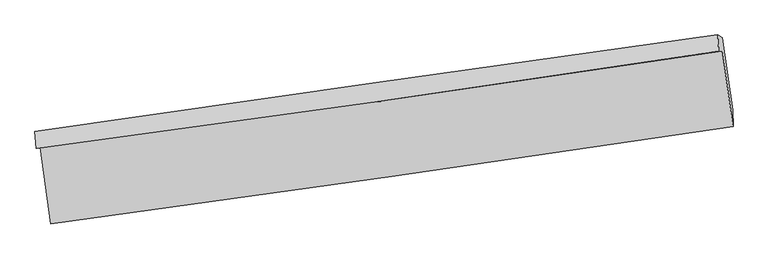
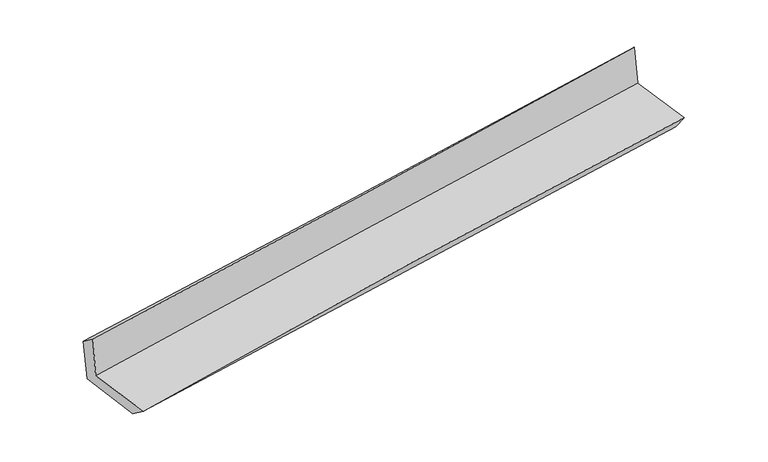
"""IFC4 building model written with IfcOpenShell, lengths in millimetres: proxy geometry."""

from ifc_helpers import new_model, si_unit, frame, origin, place, context, project, spatial, source, transform, mapped, element, save
from ifc_brep_helpers import plane_surface, spline_curve, spline_surface, advanced_brep


def generic_models_f9e63abb(model_context):
    return source(origin(), model_context, "Body", "AdvancedBrep", [
        advanced_brep(
        [(-3002.595666, -1915.8437049, 1634.0233279), (-2907.8159244, -2584.9853114, 1630.2130771), (3048.3431398, -1734.8514151, 2162.9494201), (2955.2556261, -1074.4045933, 2161.2924329), (-3035.7680529, -1927.0065943, 2042.6839731), (2921.5606791, -1075.1364694, 2558.7819018), (-3047.8531374, -1776.3192437, 1934.6520468), (2914.767564, -932.3200733, 2401.579774), (-3011.8899701, -1786.2327445, 1528.1595289), (2952.5692825, -955.4985103, 1995.4861987), (-2920.2651003, -2425.3638103, 1511.6312641), (3043.8137527, -1591.9104436, 1978.9175707)],
        [
            (0, 1),
            (1, 2, spline_curve(3, [(-2907.8159244, -2584.9853114, 1630.2130771), (-1916.507255404, -2449.717670217, 1745.770013993), (-924.499065502, -2311.238275419, 1847.943631214), (1060.887330293, -2027.860122064, 2025.521629662), (2054.265495194, -1882.961551521, 2100.926793465), (3048.3431398, -1734.8514151, 2162.9494201)], [4, 2, 4], [0.0, 9.908968915531673, 19.817648104432866])),
            (2, 3),
            (3, 0, spline_curve(3, [(2955.2556261, -1074.4045933, 2161.2924329), (1962.294390396, -1222.290249255, 2085.767444005), (969.333423323, -1366.352034279, 2004.066590496), (-1016.617007178, -1646.831961633, 1828.310583017), (-2009.606470888, -1783.249880731, 1734.255068662), (-3002.595666, -1915.8437049, 1634.0233279)], [4, 2, 4], [0.0, 9.908679188901193, 19.817648104432866])),
            (4, 0),
            (3, 5),
            (5, 4, spline_curve(3, [(2921.5606791, -1075.1364694, 2558.7819018), (1929.940097903, -1227.874384582, 2475.545319024), (937.693013279, -1375.231559804, 2390.919516181), (-1048.083193988, -1659.188582942, 2218.886954567), (-2041.612353531, -1795.788115766, 2131.48011476), (-3035.7680529, -1927.0065943, 2042.6839731)], [4, 2, 4], [0.0, 9.908199662973477, 19.816689038556248])),
            (6, 4),
            (5, 7),
            (7, 6, spline_curve(3, [(2914.767564, -932.3200733, 2401.579774), (1920.747325671, -1070.669743205, 2322.678380829), (926.859410464, -1210.176797292, 2244.317601358), (-1060.680830961, -1491.509786091, 2088.674994005), (-2054.333149639, -1633.335789085, 2011.39319766), (-3047.8531374, -1776.3192437, 1934.6520468)], [4, 2, 4], [0.0, 9.908056305605708, 19.816402319628985])),
            (8, 6),
            (7, 9),
            (9, 8, spline_curve(3, [(2952.5692825, -955.4985103, 1995.4861987), (1958.871928615, -1096.069006247, 1916.474331109), (964.99224997, -1235.58111051, 1838.025069313), (-1023.160823627, -1512.492583832, 1682.249479506), (-2017.434229158, -1649.891890781, 1604.923184857), (-3011.8899701, -1786.2327445, 1528.1595289)], [4, 2, 4], [0.0, 9.908210364163851, 19.816710441249896])),
            (10, 8),
            (9, 11),
            (11, 10, spline_curve(3, [(3043.8137527, -1591.9104436, 1978.9175707), (2051.411027438, -1741.499728129, 1899.652379112), (1058.210371635, -1885.747880583, 1821.079816815), (-929.815866238, -2163.565981614, 1665.317674), (-1924.641494456, -2297.135618265, 1588.128134197), (-2920.2651003, -2425.3638103, 1511.6312641)], [4, 2, 4], [0.0, 9.90827986160495, 19.816849438164173])),
            (1, 10),
            (11, 2),
        ],
        [
            spline_surface(3, 3, [[(-3002.595666, -1915.8437049, 1634.0233279), (-2009.606470969, -1783.249880762, 1734.255068625), (-1016.61700728, -1646.831961695, 1828.310583167), (969.333423425, -1366.352034217, 2004.066590346), (1962.294390458, -1222.290249398, 2085.767444115), (2955.2556261, -1074.4045933, 2161.2924329)], [(-2971.00241881, -2138.890907068, 1632.753244313), (-1978.57339909, -2005.405810541, 1738.093383794), (-985.911026664, -1868.300732935, 1834.854932533), (999.851392358, -1586.854730198, 2011.218270107), (1992.951425343, -1442.514016725, 2090.820560558), (2986.284797354, -1294.553533885, 2161.844761948)], [(-2939.40917159, -2361.938109232, 1631.483160687), (-1947.54032718, -2227.561740317, 1741.931698925), (-955.205046049, -2089.769504129, 1841.399281889), (1030.369361291, -1807.357426134, 2018.369949859), (2023.608460167, -1662.737784097, 2095.873677059), (3017.313968546, -1514.702474515, 2162.397091052)], [(-2907.8159244, -2584.9853114, 1630.2130771), (-1916.507255301, -2449.717670096, 1745.770014095), (-924.499065434, -2311.238275368, 1847.943631255), (1060.887330225, -2027.860122115, 2025.521629621), (2054.265495051, -1882.961551423, 2100.926793502), (3048.3431398, -1734.8514151, 2162.9494201)]], [4, 4], [4, 2, 4], [0.0, 2.1968602946566307], [0.0, 9.908968915531673, 19.817648104432866]),
            spline_surface(3, 3, [[(-3035.7680529, -1927.0065943, 2042.6839731), (-2041.612353451, -1795.788115694, 2131.480114617), (-1048.083194025, -1659.18858286, 2218.886954546), (937.693013317, -1375.231559885, 2390.919516202), (1929.94009793, -1227.874384436, 2475.545319177), (2921.5606791, -1075.1364694, 2558.7819018)], [(-3024.710590601, -1923.285631154, 1906.463758026), (-2030.943725958, -1791.608704037, 1999.071765945), (-1037.59446511, -1655.069709142, 2088.694830739), (948.239816687, -1372.271718, 2261.968540903), (1940.724862113, -1226.013006095, 2345.619360829), (2932.792328106, -1074.892510705, 2426.285412172)], [(-3013.653128299, -1919.564668046, 1770.243542974), (-2020.275098461, -1787.429292419, 1866.663417297), (-1027.105736195, -1650.950835413, 1958.502706974), (958.786620055, -1369.311876103, 2133.017565645), (1951.509626276, -1224.151627739, 2215.693402463), (2944.023977094, -1074.648551995, 2293.788922528)], [(-3002.595666, -1915.8437049, 1634.0233279), (-2009.606470969, -1783.249880762, 1734.255068625), (-1016.61700728, -1646.831961695, 1828.310583167), (969.333423425, -1366.352034217, 2004.066590346), (1962.294390458, -1222.290249398, 2085.767444115), (2955.2556261, -1074.4045933, 2161.2924329)]], [4, 4], [4, 2, 4], [0.0, 1.2799795429908225], [0.0, 9.908489375582771, 19.816689038556248]),
            spline_surface(3, 3, [[(-3047.8531374, -1776.3192437, 1934.6520468), (-2054.333149592, -1633.335789051, 2011.3931978), (-1060.680831016, -1491.509786252, 2088.674994012), (926.859410518, -1210.176797132, 2244.317601351), (1920.747325751, -1070.669743139, 2322.678380891), (2914.767564, -932.3200733, 2401.579774)], [(-3043.824775909, -1826.54836056, 1970.662688909), (-2050.092884221, -1687.486564592, 2051.422170082), (-1056.481618703, -1547.402718448, 2132.078980874), (930.470611434, -1265.195051377, 2293.184906319), (1923.81158312, -1123.071290226, 2373.634027003), (2917.031935676, -979.925538655, 2453.980483283)], [(-3039.796414391, -1876.77747744, 2006.673330991), (-2045.852618822, -1741.637340153, 2091.451142335), (-1052.282406339, -1603.295650664, 2175.482967684), (934.081812401, -1320.213305641, 2342.052211235), (1926.875840561, -1175.472837348, 2424.589673066), (2919.296307424, -1027.531004045, 2506.381192517)], [(-3035.7680529, -1927.0065943, 2042.6839731), (-2041.612353451, -1795.788115694, 2131.480114617), (-1048.083194025, -1659.18858286, 2218.886954546), (937.693013317, -1375.231559885, 2390.919516202), (1929.94009793, -1227.874384436, 2475.545319177), (2921.5606791, -1075.1364694, 2558.7819018)]], [4, 4], [4, 2, 4], [0.0, 0.7110541270384413], [0.0, 9.908346014023277, 19.816402319628985]),
            spline_surface(3, 3, [[(-3011.8899701, -1786.2327445, 1528.1595289), (-2017.434228994, -1649.89189094, 1604.923184907), (-1023.160823596, -1512.492583828, 1682.249479659), (964.992249939, -1235.581110515, 1838.02506916), (1958.871928747, -1096.069006263, 1916.474331009), (2952.5692825, -955.4985103, 1995.4861987)], [(-3023.877692508, -1782.928244235, 1663.657034844), (-2029.733869168, -1644.373190312, 1740.413189182), (-1035.667492733, -1505.49831798, 1817.72465109), (952.281303468, -1227.113006065, 1973.455913204), (1946.163727772, -1087.602585237, 2051.875680938), (2939.968709691, -947.772364648, 2130.850723768)], [(-3035.865414992, -1779.623743965, 1799.154540856), (-2042.033509418, -1638.854489679, 1875.903193525), (-1048.174161879, -1498.504052099, 1953.199822581), (939.570356989, -1218.644901582, 2108.886757307), (1933.455526725, -1079.136164165, 2187.277030962), (2927.368136809, -940.046218952, 2266.215248932)], [(-3047.8531374, -1776.3192437, 1934.6520468), (-2054.333149592, -1633.335789051, 2011.3931978), (-1060.680831016, -1491.509786252, 2088.674994012), (926.859410518, -1210.176797132, 2244.317601351), (1920.747325751, -1070.669743139, 2322.678380891), (2914.767564, -932.3200733, 2401.579774)]], [4, 4], [4, 2, 4], [0.0, 1.3411230500849014], [0.0, 9.908500077086044, 19.816710441249896]),
            spline_surface(3, 3, [[(-2920.2651003, -2425.3638103, 1511.6312641), (-1924.641494524, -2297.135618388, 1588.128134088), (-929.815866138, -2163.565981728, 1665.317674056), (1058.210371535, -1885.747880469, 1821.079816759), (2051.411027478, -1741.499728245, 1899.652378996), (3043.8137527, -1591.9104436, 1978.9175707)], [(-2950.806723579, -2212.320121706, 1517.140685715), (-1955.572406026, -2081.387709245, 1593.726484376), (-960.930851943, -1946.541515744, 1670.961609264), (1027.137664351, -1669.0256238, 1826.728234233), (2020.564661216, -1526.356154247, 1905.259696351), (3013.398929282, -1379.773132496, 1984.440446717)], [(-2981.348346821, -1999.276433094, 1522.650107285), (-1986.503317491, -1865.639800083, 1599.32483462), (-992.045837791, -1729.517049812, 1676.605544451), (996.064957123, -1452.303367184, 1832.376651686), (1989.718295009, -1311.212580261, 1910.867013654), (2982.984105918, -1167.635821404, 1989.963322683)], [(-3011.8899701, -1786.2327445, 1528.1595289), (-2017.434228994, -1649.89189094, 1604.923184907), (-1023.160823596, -1512.492583828, 1682.249479659), (964.992249939, -1235.581110515, 1838.02506916), (1958.871928747, -1096.069006263, 1916.474331009), (2952.5692825, -955.4985103, 1995.4861987)]], [4, 4], [4, 2, 4], [0.0, 2.1571238400043473], [0.0, 9.908569576559223, 19.816849438164173]),
            spline_surface(3, 3, [[(-2907.8159244, -2584.9853114, 1630.2130771), (-1916.507255301, -2449.717670096, 1745.770014095), (-924.499065434, -2311.238275368, 1847.943631255), (1060.887330225, -2027.860122115, 2025.521629621), (2054.265495051, -1882.961551423, 2100.926793502), (3048.3431398, -1734.8514151, 2162.9494201)], [(-2911.965649692, -2531.778144378, 1590.685806094), (-1919.218668367, -2398.856986205, 1693.222720753), (-926.271332336, -2262.014177482, 1787.068312195), (1059.995010661, -1980.489374894, 1957.374358673), (2053.314005851, -1835.807610374, 2033.835322012), (3046.833344091, -1687.20442461, 2101.605470312)], [(-2916.115375008, -2478.570977322, 1551.158535106), (-1921.930081458, -2347.996302279, 1640.67542743), (-928.043599236, -2212.790079614, 1726.192993116), (1059.102691099, -1933.118627691, 1889.227087707), (2052.362516678, -1788.653669294, 1966.743850486), (3045.323548409, -1639.55743409, 2040.261520488)], [(-2920.2651003, -2425.3638103, 1511.6312641), (-1924.641494524, -2297.135618388, 1588.128134088), (-929.815866138, -2163.565981728, 1665.317674056), (1058.210371535, -1885.747880469, 1821.079816759), (2051.411027478, -1741.499728245, 1899.652378996), (3043.8137527, -1591.9104436, 1978.9175707)]], [4, 4], [4, 2, 4], [0.0, 0.7932919531712711], [0.0, 9.908618072128984, 19.81694642788574]),
            plane_surface(frame((2972.7183407, -1227.3535842, 2209.8345497), z_axis=(0.9866924222858653, 0.1392811032706494, 0.08389778349493182), x_axis=(-0.09253621622186342, 0.056739347916678805, 0.9940913917167429))),
            plane_surface(frame((-2987.6979752, -2069.2919015, 1713.5605363), z_axis=(-0.9866924222857494, -0.13928110327125268, -0.08389778349529357), x_axis=(-0.14024167643198265, 0.9901012506821528, 0.005637870979707662))),
        ],
        [
            (0, [[1, 2, 3, 4]]),
            (1, [[5, -4, 6, 7]]),
            (2, [[8, -7, 9, 10]]),
            (3, [[11, -10, 12, 13]]),
            (4, [[14, -13, 15, 16]]),
            (5, [[17, -16, 18, -2]]),
            (6, [[-12, -9, -6, -3, -18, -15]]),
            (7, [[-1, -5, -8, -11, -14, -17]]),
        ],
    ),
    ])


if __name__ == "__main__":
    model = new_model("IFC4")
    model_context = context("Model", 3, world=origin())
    ifc_project = project(units=[si_unit("LENGTHUNIT", "METRE", prefix="MILLI")], contexts=[model_context])
    site = spatial("IfcSite", under=ifc_project)
    building = spatial("IfcBuilding", under=site)
    placement = place(None, origin())
    generic_models_shape = generic_models_f9e63abb(model_context)
    element("IfcBuildingElementProxy", 1, Name="Generic Models", at=placement, inside=building, context=model_context, shape_type="MappedRepresentation", body=[
        mapped(generic_models_shape, transform((0.0, 0.0, 0.0), x_axis=(1.0, 0.0, 0.0), y_axis=(0.0, 1.0, 0.0), z_axis=(0.0, 0.0, 1.0))),
    ])
    save(model, "model.ifc")
